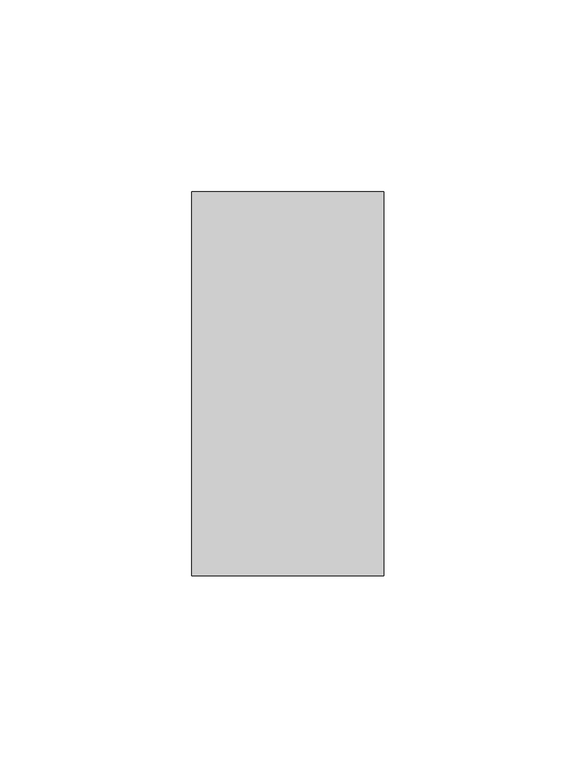
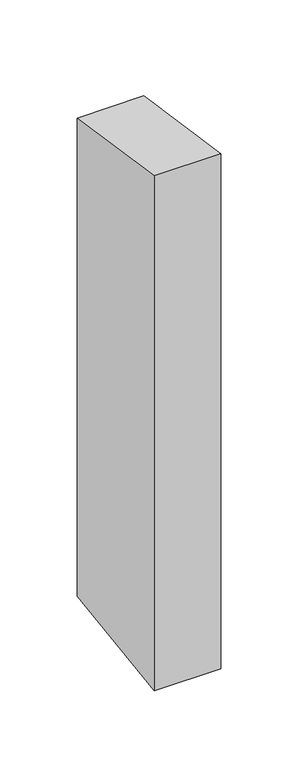
"""IFC4 building model written with IfcOpenShell, lengths in millimetres: member geometry."""

from ifc_helpers import new_model, si_unit, frame, origin, place, context, project, spatial, polyline, outline, extrude, source, transform, mapped, element, save


def member_8aadc5ce(model_context):
    return source(origin(), model_context, "Body", "SweptSolid", [
        extrude(outline(polyline([(-50.0, 7.4729751), (50.0, -7.4729751), (50.0, -386.2349267), (-50.0, -400.7107311), (-50.0, 7.4729751)])), frame((-50.0, 0.0, 0.0), z_axis=(1.0, 0.0, 0.0), x_axis=(0.0, 1.0, 0.0)), (0.0, 0.0, 1.0), 50.0),
    ])


if __name__ == "__main__":
    model = new_model("IFC4")
    model_context = context("Model", 3, world=origin())
    ifc_project = project(units=[si_unit("LENGTHUNIT", "METRE", prefix="MILLI")], contexts=[model_context])
    site = spatial("IfcSite", under=ifc_project)
    building = spatial("IfcBuilding", under=site)
    placement = place(None, origin())
    member_shape = member_8aadc5ce(model_context)
    element("IfcMember", 1, at=placement, inside=building, context=model_context, shape_type="MappedRepresentation", body=[
        mapped(member_shape, transform((0.0, 0.0, 0.0), x_axis=(1.0, 0.0, 0.0), y_axis=(0.0, 1.0, 0.0), z_axis=(0.0, 0.0, 1.0))),
    ])
    save(model, "model.ifc")
